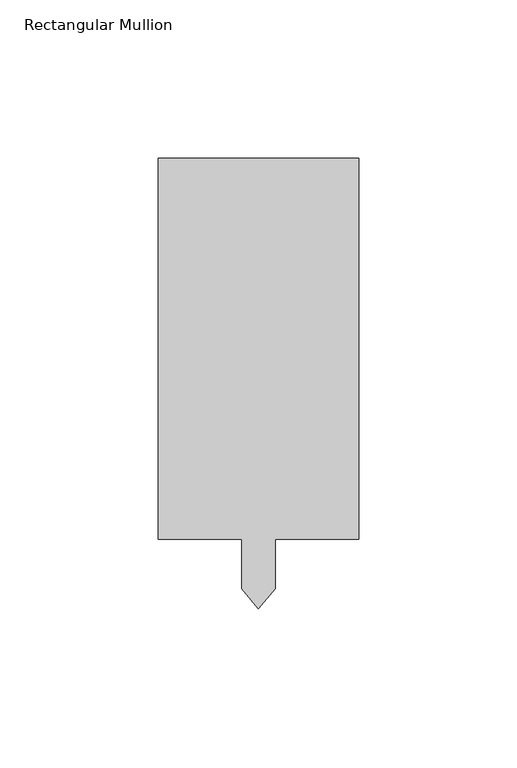
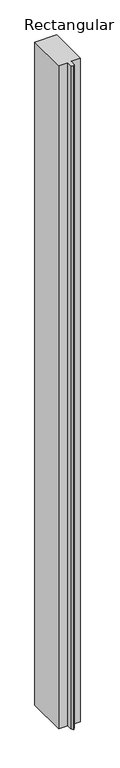
"""IFC4 building model written with IfcOpenShell, lengths in millimetres: member geometry, Rectangular Mullion."""

from ifc_helpers import new_model, si_unit, frame, origin, place, context, project, spatial, polyline, outline, extrude, source, transform, mapped, element, save


def rectangular_mullion_955651ff(model_context):
    return source(origin(), model_context, "Body", "SweptSolid", [
        extrude(outline(polyline([(31.75, 152.4), (31.75, 31.75), (5.3213, 31.75), (5.3213, 16.0811808), (0.0, 9.7395025), (-5.3213, 16.0811808), (-5.3213, 31.75), (-31.75, 31.75), (-31.75, 152.4), (31.75, 152.4)])), frame((0.0, 0.0, -2057.4000001), z_axis=(0.0, 0.0, 1.0), x_axis=(1.0, 0.0, 0.0)), (0.0, 0.0, 1.0), 2057.4000001),
    ])


if __name__ == "__main__":
    model = new_model("IFC4")
    model_context = context("Model", 3, world=origin())
    ifc_project = project(units=[si_unit("LENGTHUNIT", "METRE", prefix="MILLI")], contexts=[model_context])
    site = spatial("IfcSite", under=ifc_project)
    building = spatial("IfcBuilding", under=site)
    placement = place(None, origin())
    rectangular_mullion_shape = rectangular_mullion_955651ff(model_context)
    element("IfcMember", 1, ObjectType="Rectangular Mullion", at=placement, inside=building, context=model_context, shape_type="MappedRepresentation", body=[
        mapped(rectangular_mullion_shape, transform((0.0, 0.0, 0.0), x_axis=(1.0, 0.0, 0.0), y_axis=(0.0, 1.0, 0.0), z_axis=(0.0, 0.0, 1.0))),
    ])
    save(model, "model.ifc")
